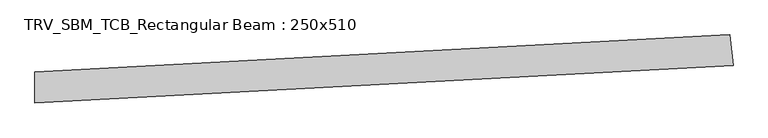
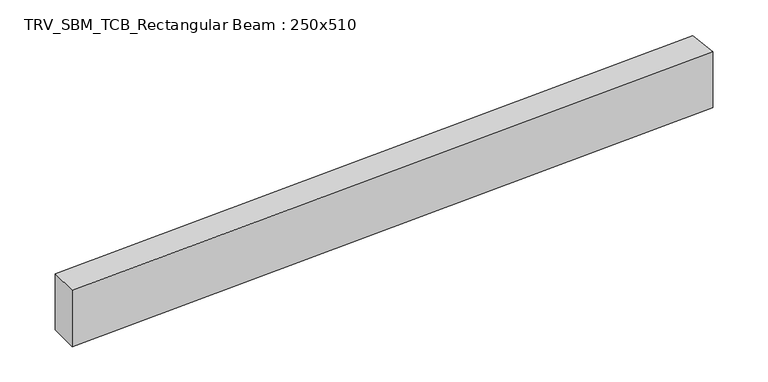
"""IFC4 building model written with IfcOpenShell, lengths in millimetres: beam geometry, TRV_SBM_TCB_Rectangular Beam : 250x510."""

from ifc_helpers import new_model, si_unit, point, frame, frame_2d, origin, place, context, project, spatial, polyline, circle_curve, trimmed, segment, composite_curve, outline, extrude, source, transform, mapped, element, save


def trv_sbm_tcb_rectangular_beam_250x510_ec6fd801(model_context):
    return source(origin(), model_context, "Body", "SweptSolid", [
        extrude(outline(composite_curve([segment(polyline([(5618.4543598, 428.8598694), (5645.4167304, 180.3180609)]), True, "CONTINUOUS"), segment(trimmed(circle_curve(frame_2d((0.0, 52220.3297938)), 52345.3297938), [point((5645.4167304, 180.3180609))], [point((-12.7308761, -124.9984519))], False, "CARTESIAN"), True, "CONTINUOUS"), segment(polyline([(-12.7308761, -124.9984519), (-12.6700738, 125.0015407)]), True, "CONTINUOUS"), segment(trimmed(circle_curve(frame_2d((0.0, 52220.3297938)), 52095.3297938), [point((-12.6700738, 125.0015407))], [point((5618.4543598, 428.8598694))], True, "CARTESIAN"), True, "CONTINUOUS")], self_intersect=False)), frame((0.0, 0.0, -255.0), z_axis=(0.0, 0.0, 1.0), x_axis=(1.0, 0.0, 0.0)), (0.0, 0.0, 1.0), 510.0),
    ])


if __name__ == "__main__":
    model = new_model("IFC4")
    model_context = context("Model", 3, world=origin())
    ifc_project = project(units=[si_unit("LENGTHUNIT", "METRE", prefix="MILLI")], contexts=[model_context])
    site = spatial("IfcSite", under=ifc_project)
    building = spatial("IfcBuilding", under=site)
    placement = place(None, origin())
    trv_sbm_tcb_rectangular_beam_250x510_shape = trv_sbm_tcb_rectangular_beam_250x510_ec6fd801(model_context)
    element("IfcBeam", 1, ObjectType="TRV_SBM_TCB_Rectangular Beam : 250x510", at=placement, inside=building, context=model_context, shape_type="MappedRepresentation", body=[
        mapped(trv_sbm_tcb_rectangular_beam_250x510_shape, transform((0.0, 0.0, 0.0), x_axis=(1.0, 0.0, 0.0), y_axis=(0.0, 1.0, 0.0), z_axis=(0.0, 0.0, 1.0))),
    ])
    save(model, "model.ifc")
